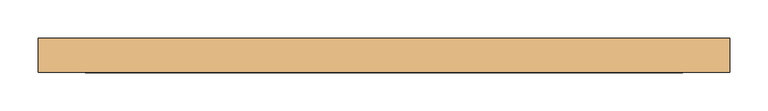
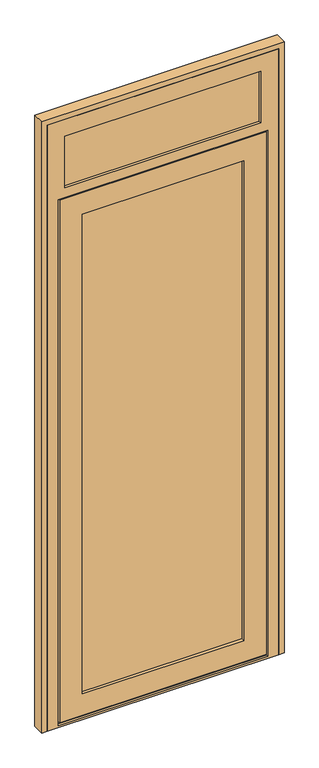
"""IFC4 building model written with IfcOpenShell, lengths in millimetres: door geometry."""

from ifc_helpers import new_model, si_unit, frame, origin, place, context, project, spatial, polyline, outline, extrude, faceted_brep, source, transform, mapped, element, save


def door_377b83df(model_context):
    return source(origin(), model_context, "Body", "SolidModel", [
        extrude(outline(polyline([(443.0, 91.0), (443.0, 68.0), (-193.0, 68.0), (-193.0, 91.0), (443.0, 91.0)])), frame((0.0, 0.0, 83.0), z_axis=(0.0, 0.0, 1.0), x_axis=(1.0, 0.0, 0.0)), (0.0, 0.0, 1.0), 1920.0),
        extrude(outline(polyline([(507.0, 91.0), (507.0, 68.0), (-257.0, 68.0), (-257.0, 91.0), (507.0, 91.0)])), frame((0.0, 0.0, 2093.0), z_axis=(0.0, 0.0, 1.0), x_axis=(1.0, 0.0, 0.0)), (0.0, 0.0, 1.0), 239.0),
        faceted_brep([(-259.0, 64.0, 17.0), (-249.0, 64.0, 17.0), (-249.0, 92.0, 17.0), (-239.0, 92.0, 17.0), (-239.0, 64.0, 17.0), (489.0, 64.0, 17.0), (489.0, 92.0, 17.0), (499.0, 92.0, 17.0), (499.0, 64.0, 17.0), (509.0, 64.0, 17.0), (509.0, 56.0, 17.0), (-259.0, 56.0, 17.0), (-259.0, 56.0, 2069.0), (-259.0, 64.0, 2069.0), (509.0, 56.0, 2069.0), (-175.0, 56.0, 1985.0), (425.0, 56.0, 1985.0), (425.0, 56.0, 101.0), (-175.0, 56.0, 101.0), (-175.0, 68.0, 101.0), (-175.0, 68.0, 1985.0), (443.0, 68.0, 2003.0), (443.0, 68.0, 83.0), (-193.0, 68.0, 83.0), (-193.0, 68.0, 2003.0), (425.0, 68.0, 101.0), (425.0, 68.0, 1985.0), (-193.0, 91.0, 83.0), (-193.0, 91.0, 2003.0), (443.0, 91.0, 83.0), (443.0, 91.0, 2003.0), (-175.0, 91.0, 1985.0), (425.0, 91.0, 1985.0), (425.0, 91.0, 101.0), (-175.0, 91.0, 101.0), (-175.0, 100.0, 101.0), (-175.0, 100.0, 1985.0), (484.0, 100.0, 2044.0), (484.0, 100.0, 42.0), (-234.0, 100.0, 42.0), (-234.0, 100.0, 2044.0), (425.0, 100.0, 101.0), (425.0, 100.0, 1985.0), (-234.0, 92.0, 42.0), (-234.0, 92.0, 2044.0), (489.0, 92.0, 27.0), (-239.0, 92.0, 27.0), (-249.0, 92.0, 2059.0), (499.0, 92.0, 2059.0), (484.0, 92.0, 42.0), (484.0, 92.0, 2044.0), (-249.0, 64.0, 2059.0), (509.0, 64.0, 2069.0), (499.0, 64.0, 2059.0), (489.0, 64.0, 27.0), (-239.0, 64.0, 27.0)], [[[0, 1, 2, 3, 4, 5, 6, 7, 8, 9, 10, 11]], [[11, 12, 13, 0]], [[10, 14, 12, 11], [15, 16, 17, 18]], [[15, 18, 19, 20]], [[21, 22, 23, 24], [20, 19, 25, 26]], [[23, 27, 28, 24]], [[28, 27, 29, 30], [31, 32, 33, 34]], [[31, 34, 35, 36]], [[37, 38, 39, 40], [36, 35, 41, 42]], [[39, 43, 44, 40]], [[45, 46, 3, 2, 47, 48, 7, 6], [44, 43, 49, 50]], [[1, 51, 47, 2]], [[0, 13, 52, 9, 8, 53, 51, 1]], [[12, 14, 52, 13]], [[15, 20, 26, 16]], [[24, 28, 30, 21]], [[31, 36, 42, 32]], [[40, 44, 50, 37]], [[47, 51, 53, 48]], [[10, 9, 52, 14]], [[26, 25, 17, 16]], [[29, 22, 21, 30]], [[42, 41, 33, 32]], [[49, 38, 37, 50]], [[48, 53, 8, 7]], [[19, 18, 17, 25]], [[22, 29, 27, 23]], [[35, 34, 33, 41]], [[45, 6, 5, 54]], [[55, 4, 3, 46]], [[54, 55, 46, 45]], [[43, 39, 38, 49]], [[4, 55, 54, 5]]]),
        faceted_brep([(555.0, 100.0, 0.0), (555.0, 56.0, 0.0), (-305.0, 56.0, 0.0), (-305.0, 100.0, 0.0), (555.0, 56.0, 2380.0), (-305.0, 56.0, 2380.0), (-264.0, 56.0, 8.0), (-264.0, 56.0, 2074.0), (514.0, 56.0, 2074.0), (514.0, 56.0, 8.0), (489.0, 56.0, 2314.0), (489.0, 56.0, 2111.0), (-239.0, 56.0, 2111.0), (-239.0, 56.0, 2314.0), (-264.0, 64.0, 8.0), (-264.0, 64.0, 2074.0), (514.0, 64.0, 8.0), (514.0, 64.0, 2074.0), (-249.0, 64.0, 2059.0), (499.0, 64.0, 2059.0), (499.0, 64.0, 27.0), (-249.0, 64.0, 27.0), (-249.0, 92.0, 27.0), (-249.0, 92.0, 2059.0), (-239.0, 92.0, 27.0), (-239.0, 92.0, 2049.0), (489.0, 92.0, 2049.0), (489.0, 92.0, 27.0), (499.0, 92.0, 27.0), (499.0, 92.0, 2059.0), (-239.0, 100.0, 27.0), (-239.0, 100.0, 2049.0), (555.0, 100.0, 2380.0), (-305.0, 100.0, 2380.0), (489.0, 100.0, 27.0), (489.0, 100.0, 2049.0), (-239.0, 100.0, 2314.0), (-239.0, 100.0, 2111.0), (489.0, 100.0, 2111.0), (489.0, 100.0, 2314.0), (-239.0, 91.0, 2111.0), (489.0, 91.0, 2111.0), (-257.0, 91.0, 2332.0), (-257.0, 91.0, 2093.0), (507.0, 91.0, 2093.0), (507.0, 91.0, 2332.0), (489.0, 91.0, 2314.0), (-239.0, 91.0, 2314.0), (-257.0, 68.0, 2093.0), (507.0, 68.0, 2093.0), (507.0, 68.0, 2332.0), (-257.0, 68.0, 2332.0), (-239.0, 68.0, 2314.0), (-239.0, 68.0, 2111.0), (489.0, 68.0, 2111.0), (489.0, 68.0, 2314.0)], [[[0, 1, 2, 3]], [[2, 1, 4, 5], [6, 7, 8, 9], [10, 11, 12, 13]], [[14, 15, 7, 6]], [[14, 16, 17, 15], [18, 19, 20, 21]], [[22, 23, 18, 21]], [[24, 25, 26, 27, 28, 29, 23, 22]], [[30, 31, 25, 24]], [[32, 0, 3, 33], [31, 30, 34, 35], [36, 37, 38, 39]], [[2, 5, 33, 3]], [[1, 0, 32, 4]], [[6, 9, 16, 14]], [[21, 20, 28, 27, 34, 30, 24, 22]], [[29, 19, 18, 23]], [[31, 35, 26, 25]], [[37, 40, 41, 38]], [[42, 43, 44, 45], [46, 41, 40, 47]], [[48, 49, 44, 43]], [[50, 49, 48, 51], [52, 53, 54, 55]], [[11, 54, 53, 12]], [[17, 8, 7, 15]], [[13, 12, 53, 52]], [[51, 48, 43, 42]], [[47, 40, 37, 36]], [[5, 4, 32, 33]], [[13, 52, 55, 10]], [[51, 42, 45, 50]], [[47, 36, 39, 46]], [[55, 54, 11, 10]], [[45, 44, 49, 50]], [[39, 38, 41, 46]], [[16, 9, 8, 17]], [[19, 29, 28, 20]], [[34, 27, 26, 35]]]),
        extrude(outline(polyline([(2400.0, -325.0), (0.0, -325.0), (0.0, -305.0), (2380.0, -305.0), (2380.0, 555.0), (0.0, 555.0), (0.0, 575.0), (2400.0, 575.0), (2400.0, -325.0)])), frame((0.0, 56.0, 0.0), z_axis=(0.0, 1.0, 0.0), x_axis=(0.0, 0.0, 1.0)), (0.0, 0.0, 1.0), 44.0),
    ])


if __name__ == "__main__":
    model = new_model("IFC4")
    model_context = context("Model", 3, world=origin())
    ifc_project = project(units=[si_unit("LENGTHUNIT", "METRE", prefix="MILLI")], contexts=[model_context])
    site = spatial("IfcSite", under=ifc_project)
    building = spatial("IfcBuilding", under=site)
    placement = place(None, origin())
    door_shape = door_377b83df(model_context)
    element("IfcDoor", 1, at=placement, inside=building, context=model_context, shape_type="MappedRepresentation", body=[
        mapped(door_shape, transform((0.0, 0.0, 0.0), x_axis=(1.0, 0.0, 0.0), y_axis=(0.0, 1.0, 0.0), z_axis=(0.0, 0.0, 1.0))),
    ])
    save(model, "model.ifc")
